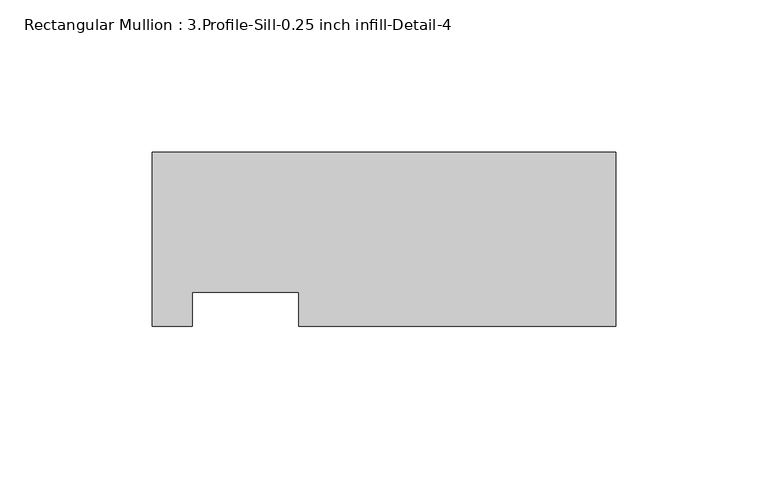
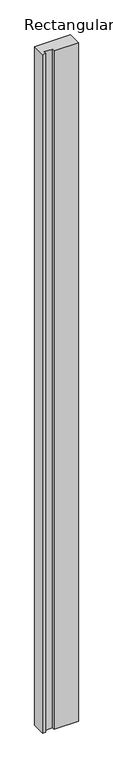
"""IFC4 building model written with IfcOpenShell, lengths in millimetres: member geometry, Rectangular Mullion : 3.Profile-Sill-0.25 inch infill-Detail-4."""

from ifc_helpers import new_model, si_unit, frame, origin, place, context, project, spatial, polyline, outline, extrude, source, transform, mapped, element, save


def rectangular_mullion_3_profile_sill_0_25_inch_infill_detail_4_324533cf(model_context):
    return source(origin(), model_context, "Body", "SweptSolid", [
        extrude(outline(polyline([(-152.4, -21.6117025), (-152.4, 35.5382975), (0.0, 35.5382975), (0.0, -21.6117025), (-104.2416, -21.6117025), (-104.2416, -10.4992025), (-139.2047, -10.4992025), (-139.2047, -21.6117025), (-152.4, -21.6117025)])), frame((0.0, 0.0, -3048.0), z_axis=(0.0, 0.0, 1.0), x_axis=(1.0, 0.0, 0.0)), (0.0, 0.0, 1.0), 3048.0),
    ])


if __name__ == "__main__":
    model = new_model("IFC4")
    model_context = context("Model", 3, world=origin())
    ifc_project = project(units=[si_unit("LENGTHUNIT", "METRE", prefix="MILLI")], contexts=[model_context])
    site = spatial("IfcSite", under=ifc_project)
    building = spatial("IfcBuilding", under=site)
    placement = place(None, origin())
    rectangular_mullion_3_profile_sill_0_25_inch_infill_detail_4_shape = rectangular_mullion_3_profile_sill_0_25_inch_infill_detail_4_324533cf(model_context)
    element("IfcMember", 1, ObjectType="Rectangular Mullion : 3.Profile-Sill-0.25 inch infill-Detail-4", at=placement, inside=building, context=model_context, shape_type="MappedRepresentation", body=[
        mapped(rectangular_mullion_3_profile_sill_0_25_inch_infill_detail_4_shape, transform((0.0, 0.0, 0.0), x_axis=(1.0, 0.0, 0.0), y_axis=(0.0, 1.0, 0.0), z_axis=(0.0, 0.0, 1.0))),
    ])
    save(model, "model.ifc")
